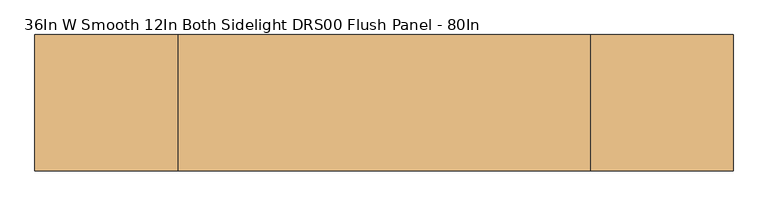
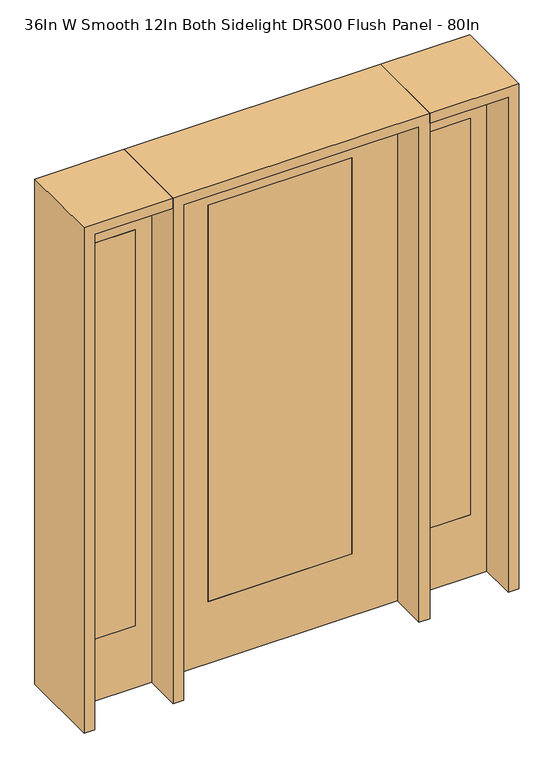
"""IFC4 building model written with IfcOpenShell, lengths in millimetres: door geometry, 36In W Smooth 12In Both Sidelight DRS00 Flush Panel - 80In."""

from ifc_helpers import new_model, si_unit, frame, origin, place, context, project, spatial, polyline, outline, extrude, source, transform, mapped, element, save


def door_36in_w_smooth_12in_both_sidelight_drs00_flush_panel_29173b2a(model_context):
    return source(origin(), model_context, "Body", "SweptSolid", [
        extrude(outline(polyline([(739.775, -20.6375), (561.975, -20.6375), (561.975, 20.6375), (739.775, 20.6375), (739.775, -20.6375)])), frame((0.0, 0.0, 254.0), z_axis=(0.0, 0.0, 1.0), x_axis=(1.0, 0.0, 0.0)), (0.0, 0.0, 1.0), 1625.6),
        extrude(outline(polyline([(0.0, 498.475), (0.0, 803.275), (2032.0, 803.275), (2032.0, 498.475), (0.0, 498.475)]), holes=[polyline([(1879.6, 739.775), (254.0, 739.775), (254.0, 561.975), (1879.6, 561.975), (1879.6, 739.775)])]), frame((0.0, -20.6375, 0.0), z_axis=(0.0, 1.0, 0.0), x_axis=(0.0, 0.0, 1.0)), (0.0, 0.0, 1.0), 41.275),
        extrude(outline(polyline([(-561.975, -20.6375), (-739.775, -20.6375), (-739.775, 20.6375), (-561.975, 20.6375), (-561.975, -20.6375)])), frame((0.0, 0.0, 254.0), z_axis=(0.0, 0.0, 1.0), x_axis=(1.0, 0.0, 0.0)), (0.0, 0.0, 1.0), 1625.6),
        extrude(outline(polyline([(0.0, -803.275), (0.0, -498.475), (2032.0, -498.475), (2032.0, -803.275), (0.0, -803.275)]), holes=[polyline([(1879.6, -561.975), (254.0, -561.975), (254.0, -739.775), (1879.6, -739.775), (1879.6, -561.975)])]), frame((0.0, -20.6375, 0.0), z_axis=(0.0, 1.0, 0.0), x_axis=(0.0, 0.0, 1.0)), (0.0, 0.0, 1.0), 41.275),
        extrude(outline(polyline([(2032.0, 457.2), (2032.0, -457.2), (0.0, -457.2), (0.0, 457.2), (2032.0, 457.2)]), holes=[polyline([(254.0, 279.4), (254.0, -279.4), (1879.6, -279.4), (1879.6, 279.4), (254.0, 279.4)])]), frame((0.0, -20.701, 0.0), z_axis=(0.0, 1.0, 0.0), x_axis=(0.0, 0.0, 1.0)), (0.0, 0.0, 1.0), 41.402),
        extrude(outline(polyline([(279.4, -20.701), (-279.4, -20.701), (-279.4, 20.701), (279.4, 20.701), (279.4, -20.701)])), frame((0.0, 0.0, 254.0), z_axis=(0.0, 0.0, 1.0), x_axis=(1.0, 0.0, 0.0)), (0.0, 0.0, 1.0), 1625.6),
        extrude(outline(polyline([(2032.0, -498.475), (2073.275, -498.475), (2073.275, -844.55), (0.0, -844.55), (0.0, -803.275), (2032.0, -803.275), (2032.0, -498.475)])), frame((0.0, -165.1, 0.0), z_axis=(0.0, 1.0, 0.0), x_axis=(0.0, 0.0, 1.0)), (0.0, 0.0, 1.0), 330.2),
        extrude(outline(polyline([(2073.275, -498.475), (0.0, -498.475), (0.0, -457.2), (2032.0, -457.2), (2032.0, 457.2), (0.0, 457.2), (0.0, 498.475), (2073.275, 498.475), (2073.275, -498.475)])), frame((0.0, -165.1, 0.0), z_axis=(0.0, 1.0, 0.0), x_axis=(0.0, 0.0, 1.0)), (0.0, 0.0, 1.0), 330.2),
        extrude(outline(polyline([(0.0, 803.275), (0.0, 844.55), (2073.275, 844.55), (2073.275, 498.475), (2032.0, 498.475), (2032.0, 803.275), (0.0, 803.275)])), frame((0.0, -165.1, 0.0), z_axis=(0.0, 1.0, 0.0), x_axis=(0.0, 0.0, 1.0)), (0.0, 0.0, 1.0), 330.2),
    ])


if __name__ == "__main__":
    model = new_model("IFC4")
    model_context = context("Model", 3, world=origin())
    ifc_project = project(units=[si_unit("LENGTHUNIT", "METRE", prefix="MILLI")], contexts=[model_context])
    site = spatial("IfcSite", under=ifc_project)
    building = spatial("IfcBuilding", under=site)
    placement = place(None, origin())
    door_36in_w_smooth_12in_both_sidelight_drs00_flush_panel_shape = door_36in_w_smooth_12in_both_sidelight_drs00_flush_panel_29173b2a(model_context)
    element("IfcDoor", 1, ObjectType="36In W Smooth 12In Both Sidelight DRS00 Flush Panel - 80In", at=placement, inside=building, context=model_context, shape_type="MappedRepresentation", body=[
        mapped(door_36in_w_smooth_12in_both_sidelight_drs00_flush_panel_shape, transform((0.0, 0.0, 0.0), x_axis=(1.0, 0.0, 0.0), y_axis=(0.0, 1.0, 0.0), z_axis=(0.0, 0.0, 1.0))),
    ])
    save(model, "model.ifc")
